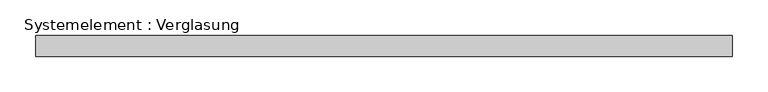
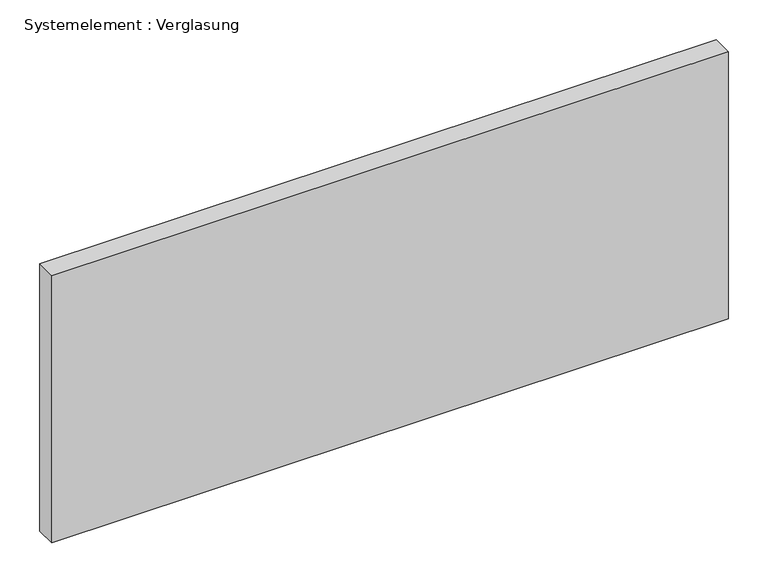
"""IFC4 building model written with IfcOpenShell, lengths in millimetres: plate geometry, Systemelement : Verglasung."""

from ifc_helpers import new_model, si_unit, origin, origin_with_axes, place, context, project, spatial, polyline, outline, extrude, source, transform, mapped, element, save


def systemelement_verglasung_7b548d29(model_context):
    return source(origin(), model_context, "Body", "SweptSolid", [
        extrude(outline(polyline([(490.8337479, -15.0), (-490.8337479, -15.0), (-490.8337479, 15.0), (490.8337479, 15.0), (490.8337479, -15.0)])), origin_with_axes(), (0.0, 0.0, 1.0), 410.0),
    ])


if __name__ == "__main__":
    model = new_model("IFC4")
    model_context = context("Model", 3, world=origin())
    ifc_project = project(units=[si_unit("LENGTHUNIT", "METRE", prefix="MILLI")], contexts=[model_context])
    site = spatial("IfcSite", under=ifc_project)
    building = spatial("IfcBuilding", under=site)
    placement = place(None, origin())
    systemelement_verglasung_shape = systemelement_verglasung_7b548d29(model_context)
    element("IfcPlate", 1, ObjectType="Systemelement : Verglasung", at=placement, inside=building, context=model_context, shape_type="MappedRepresentation", body=[
        mapped(systemelement_verglasung_shape, transform((0.0, 0.0, 0.0), x_axis=(1.0, 0.0, 0.0), y_axis=(0.0, 1.0, 0.0), z_axis=(0.0, 0.0, 1.0))),
    ])
    save(model, "model.ifc")
